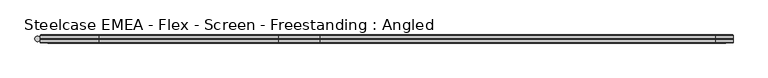
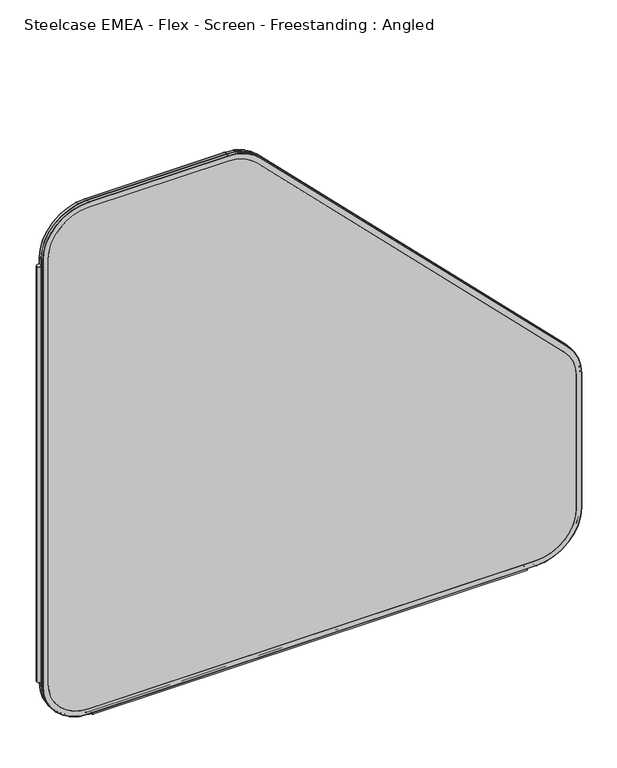
"""IFC4 building model written with IfcOpenShell, lengths in millimetres: furniture geometry, Steelcase EMEA - Flex - Screen - Freestanding : Angled."""

import ifcopenshell
import ifcopenshell.guid

model = None  # the IFC model being written
_history = None  # IfcOwnerHistory: only IFC2X3 demands one
_inside = {}  # id of a spatial element -> (the spatial element, [elements in it])
_under = {}  # id of a project, library or spatial element -> (it, [spatial elements below it])
_declared = {}  # id of a project -> (the project, [libraries it declares])
_typed = {}  # id of a type object -> (the type object, [elements of that type])
_made_of = {}  # id of a material, layer set ... -> (it, [elements and type objects made of it])


def new_model(schema):
    """Start an empty IFC model of exactly this schema.

    Asked for "IFC4X3", IfcOpenShell would pick the latest addendum, in which some entities
    have other attributes; the version numbers below select the first issue.
    IFC2X3 requires an IfcOwnerHistory on every rooted entity: one is made here for all.
    """
    global model, _history
    if schema == "IFC4X3":
        model = ifcopenshell.file(schema_version=(4, 3, 0, 0))
    else:
        model = ifcopenshell.file(schema=schema)
    _inside.clear()
    _under.clear()
    _declared.clear()
    _typed.clear()
    _made_of.clear()
    _history = None
    if model.schema == "IFC2X3":
        org = make("IfcOrganization", Name="unknown")
        user = make(
            "IfcPersonAndOrganization",
            ThePerson=make("IfcPerson", FamilyName="unknown"),
            TheOrganization=org,
        )
        app = make(
            "IfcApplication",
            ApplicationDeveloper=org,
            Version="unknown",
            ApplicationFullName="unknown",
            ApplicationIdentifier="unknown",
        )
        _history = make(
            "IfcOwnerHistory",
            OwningUser=user,
            OwningApplication=app,
            ChangeAction="ADDED",
            CreationDate=0,
        )
    return model


def make(cls, **values):
    """One entity of the class cls with the attributes given. An attribute that is None is left unset."""
    return model.create_entity(
        cls, **{name: value for name, value in values.items() if value is not None}
    )


def rooted(cls, **values):
    """An entity with a GlobalId (a new one), such as an element, a storey or a relation."""
    return make(cls, GlobalId=ifcopenshell.guid.new(), OwnerHistory=_history, **values)


def si_unit(unit_type, name, prefix=None):
    """IfcSIUnit, for example si_unit("LENGTHUNIT", "METRE", prefix="MILLI")."""
    return make("IfcSIUnit", UnitType=unit_type, Prefix=prefix, Name=name)


def assignment(units):
    """IfcUnitAssignment: the units of a project."""
    return None if units is None else make("IfcUnitAssignment", Units=units)


def point(xyz):
    """IfcCartesianPoint."""
    return None if xyz is None else make("IfcCartesianPoint", Coordinates=xyz)


def direction(xyz):
    """IfcDirection."""
    return None if xyz is None else make("IfcDirection", DirectionRatios=xyz)


def frame(location, z_axis=None, x_axis=None):
    """IfcAxis2Placement3D, a coordinate frame: its origin and axes. An axis left out is left unset."""
    return make(
        "IfcAxis2Placement3D",
        Location=point(location),
        Axis=direction(z_axis),
        RefDirection=direction(x_axis),
    )


def frame_2d(location, x_axis=None):
    """IfcAxis2Placement2D, a coordinate frame in the plane: its origin and x axis."""
    return make(
        "IfcAxis2Placement2D", Location=point(location), RefDirection=direction(x_axis)
    )


def origin():
    """The frame at (0, 0, 0) with its axes left unset."""
    return frame((0.0, 0.0, 0.0))


def place(relative_to, where):
    """IfcLocalPlacement: puts the frame where relative to a parent placement (None: the world)."""
    return make(
        "IfcLocalPlacement", PlacementRelTo=relative_to, RelativePlacement=where
    )


def context(
    kind, dimensions, precision=None, world=None, true_north=None, identifier=None
):
    """IfcGeometricRepresentationContext, for example the 3D "Model" context."""
    return make(
        "IfcGeometricRepresentationContext",
        ContextIdentifier=identifier,
        ContextType=kind,
        CoordinateSpaceDimension=dimensions,
        Precision=precision,
        WorldCoordinateSystem=world,
        TrueNorth=true_north,
    )


def project(units=None, contexts=None):
    """IfcProject with its units and contexts."""
    return rooted(
        "IfcProject",
        Name="project",
        RepresentationContexts=contexts,
        UnitsInContext=assignment(units),
    )


def spatial(cls, under=None, at=None, **own):
    """A site, building, storey or space (cls), placed at a placement, below another one or the project."""
    s = rooted(cls, ObjectPlacement=at, **own)
    if under is not None:
        _under.setdefault(under.id(), (under, []))[1].append(s)
    return s


def polyline(points):
    """IfcPolyline through the points."""
    return make("IfcPolyline", Points=[point(p) for p in points])


def circle_curve(where, radius):
    """IfcCircle in the frame where."""
    return make("IfcCircle", Position=where, Radius=radius)


def ellipse_curve(where, semi_axis1, semi_axis2):
    """IfcEllipse in the frame where."""
    return make(
        "IfcEllipse", Position=where, SemiAxis1=semi_axis1, SemiAxis2=semi_axis2
    )


def trimmed(basis, trim1, trim2, sense, master):
    """IfcTrimmedCurve: the piece of a basis curve between two trims."""
    return make(
        "IfcTrimmedCurve",
        BasisCurve=basis,
        Trim1=trim1,
        Trim2=trim2,
        SenseAgreement=sense,
        MasterRepresentation=master,
    )


def segment(curve, same_sense, transition):
    """IfcCompositeCurveSegment."""
    return make(
        "IfcCompositeCurveSegment",
        Transition=transition,
        SameSense=same_sense,
        ParentCurve=curve,
    )


def composite_curve(segments, self_intersect=None):
    """IfcCompositeCurve: segments joined end to end."""
    return make("IfcCompositeCurve", Segments=segments, SelfIntersect=self_intersect)


def outline(outer, holes=None, kind="AREA"):
    """IfcArbitraryClosedProfileDef: a profile drawn as a closed curve; with holes, ...WithVoids."""
    if holes is None:
        return make("IfcArbitraryClosedProfileDef", ProfileType=kind, OuterCurve=outer)
    return make(
        "IfcArbitraryProfileDefWithVoids",
        ProfileType=kind,
        OuterCurve=outer,
        InnerCurves=holes,
    )


def extrude(swept, where, along, depth):
    """IfcExtrudedAreaSolid: the profile swept, set in the frame where, extruded along a direction by depth."""
    return make(
        "IfcExtrudedAreaSolid",
        SweptArea=swept,
        Position=where,
        ExtrudedDirection=direction(along),
        Depth=depth,
    )


def shape(context_of_items, identifier, shape_type, items):
    """IfcShapeRepresentation: the items that make up one representation, for example the "Body"."""
    return make(
        "IfcShapeRepresentation",
        ContextOfItems=context_of_items,
        RepresentationIdentifier=identifier,
        RepresentationType=shape_type,
        Items=items,
    )


def source(mapping_origin, context_of_items, identifier, shape_type, items):
    """IfcRepresentationMap: a shape defined once, which mapped items show again and again."""
    return make(
        "IfcRepresentationMap",
        MappingOrigin=mapping_origin,
        MappedRepresentation=shape(context_of_items, identifier, shape_type, items),
    )


def transform(
    local_origin,
    x_axis=None,
    y_axis=None,
    z_axis=None,
    scale=None,
    scale2=None,
    scale3=None,
    uniform=True,
):
    """IfcCartesianTransformationOperator3D, or its non-uniform kind. x_axis, y_axis, z_axis: its Axis1, 2, 3."""
    if uniform:
        return make(
            "IfcCartesianTransformationOperator3D",
            Axis1=direction(x_axis),
            Axis2=direction(y_axis),
            LocalOrigin=point(local_origin),
            Scale=scale,
            Axis3=direction(z_axis),
        )
    return make(
        "IfcCartesianTransformationOperator3DnonUniform",
        Axis1=direction(x_axis),
        Axis2=direction(y_axis),
        LocalOrigin=point(local_origin),
        Scale=scale,
        Axis3=direction(z_axis),
        Scale2=scale2,
        Scale3=scale3,
    )


def mapped(mapping_source, mapping_target):
    """IfcMappedItem: shows the shape of a source again, moved by a transform."""
    return make(
        "IfcMappedItem", MappingSource=mapping_source, MappingTarget=mapping_target
    )


def made_of(thing, what):
    """Note that an element or type object is made of a material, layer set ...; save() writes the relation."""
    if what is not None:
        _made_of.setdefault(what.id(), (what, []))[1].append(thing)
    return thing


def element(
    cls,
    number,
    at=None,
    inside=None,
    cuts=None,
    type_object=None,
    material=None,
    context=None,
    identifier="Body",
    shape_type=None,
    held_by="IfcProductDefinitionShape",
    body=None,
    shapes=None,
    **own,
):
    """One element of the class cls, such as IfcWall. Its Tag is "e" and its number.

    at: its placement. inside: the storey or other place that contains it. cuts: it is an
    opening in that element (IfcRelVoidsElement). A single representation is given by context,
    identifier, shape_type and body (its items); several are given by shapes. held_by: the class
    of the entity that holds the representations. save() writes the other relations.
    """
    e = rooted(cls, Tag="e%d" % number, ObjectPlacement=at, **own)
    if body is not None:
        shapes = [shape(context, identifier, shape_type, body)]
    if shapes is not None:
        e.Representation = make(held_by, Representations=shapes)
    if inside is not None:
        _inside.setdefault(inside.id(), (inside, []))[1].append(e)
    if cuts is not None:
        rooted(
            "IfcRelVoidsElement", RelatingBuildingElement=cuts, RelatedOpeningElement=e
        )
    if type_object is not None:
        _typed.setdefault(type_object.id(), (type_object, []))[1].append(e)
    return made_of(e, material)


def aggregate(whole, parts):
    """IfcRelAggregates: a whole, such as a stair, and the parts it consists of."""
    return rooted("IfcRelAggregates", RelatingObject=whole, RelatedObjects=parts)


def save(model, path):
    """Write the relations noted so far, then the file.

    IfcRelAggregates (storeys below a building ...), IfcRelContainedInSpatialStructure (elements
    in a storey), IfcRelDefinesByType, IfcRelAssociatesMaterial and IfcRelDeclares: one each for
    every whole, place, type object, material and project.
    """
    for whole, parts in _under.values():
        aggregate(whole, parts)
    for where, things in _inside.values():
        rooted(
            "IfcRelContainedInSpatialStructure",
            RelatedElements=things,
            RelatingStructure=where,
        )
    for kind, things in _typed.values():
        rooted("IfcRelDefinesByType", RelatedObjects=things, RelatingType=kind)
    for what, things in _made_of.values():
        rooted("IfcRelAssociatesMaterial", RelatedObjects=things, RelatingMaterial=what)
    for by, libraries in _declared.values():
        rooted("IfcRelDeclares", RelatingContext=by, RelatedDefinitions=libraries)
    model.write(path)


def plane_surface(at):
    """IfcPlane: the flat surface through the origin of the frame at, square to its z axis."""
    return make("IfcPlane", Position=at)


def cylinder_surface(at, radius):
    """IfcCylindricalSurface: all points at the distance radius from the z axis of the frame at."""
    return make("IfcCylindricalSurface", Position=at, Radius=radius)


def revolved_surface(curve, axis_point, axis_direction):
    """IfcSurfaceOfRevolution: the curve turned about the line through axis_point along axis_direction."""
    return make(
        "IfcSurfaceOfRevolution",
        SweptCurve=make("IfcArbitraryOpenProfileDef", ProfileType="CURVE", Curve=curve),
        AxisPosition=make("IfcAxis1Placement", Location=point(axis_point), Axis=direction(axis_direction)),
    )


def advanced_brep(points, edges, surfaces, faces):
    """IfcAdvancedBrep: a solid bounded by faces that lie on surfaces and meet in shared edges.

    An edge is (start, end): straight between two places in points (the first is 0);
    or (start, end, curve); or (start, end, curve, False) where it runs against its curve.
    A face is (place in surfaces, loops), or (place, loops, False) where it looks against
    its surface's normal. A loop lists edges by number (the first is 1), with a minus sign
    where the edge is run from its end to its start. The first loop is the outer one.
    """
    corners = [point(p) for p in points]
    vertices = [make("IfcVertexPoint", VertexGeometry=c) for c in corners]
    made = []
    for start, end, *more in edges:
        made.append(
            make(
                "IfcEdgeCurve",
                EdgeStart=vertices[start],
                EdgeEnd=vertices[end],
                EdgeGeometry=more[0] if more else make("IfcPolyline", Points=[corners[start], corners[end]]),
                SameSense=more[1] if len(more) > 1 else True,
            )
        )
    hull = []
    for where, loops, *sense in faces:
        bounds = []
        for j, loop in enumerate(loops):
            ring = [make("IfcOrientedEdge", EdgeElement=made[abs(k) - 1], Orientation=k > 0) for k in loop]
            bounds.append(
                make(
                    "IfcFaceOuterBound" if j == 0 else "IfcFaceBound",
                    Bound=make("IfcEdgeLoop", EdgeList=ring),
                    Orientation=True,
                )
            )
        hull.append(make("IfcAdvancedFace", Bounds=bounds, FaceSurface=surfaces[where], SameSense=sense[0] if sense else True))
    return make("IfcAdvancedBrep", Outer=make("IfcClosedShell", CfsFaces=hull))


def steelcase_emea_flex_screen_freestanding_angled_48e5a0ee(model_context):
    return source(origin(), model_context, "Body", "SolidModel", [
        extrude(outline(composite_curve([segment(trimmed(circle_curve(frame_2d((4.5307839, 0.0)), 4.572), [point((-0.0412161, 0.0))], [point((9.1027839, 0.0))], False, "CARTESIAN"), True, "CONTINUOUS"), segment(trimmed(circle_curve(frame_2d((4.5307839, 0.0)), 4.572), [point((9.1027839, 0.0))], [point((-0.0412161, 0.0))], False, "CARTESIAN"), True, "CONTINUOUS")], self_intersect=False)), frame((0.0, 0.0, 115.57), z_axis=(0.0, 0.0, 1.0), x_axis=(1.0, 0.0, 0.0)), (0.0, 0.0, 1.0), 968.86),
        advanced_brep(
        [(110.7653521, 5.9845715, 4.9996464), (9.1653521, 5.9845715, 106.5996464), (10.0387806, 6.858, 106.5996464), (110.7653521, 6.858, 5.8730749), (110.7653521, 0.762, 4.9996464), (9.1653521, 0.762, 106.5996464), (110.7653521, 0.0, 5.7616464), (9.9273521, 0.0, 106.5996464), (110.7653521, 6.858, 17.6996464), (21.8653521, 6.858, 106.5996464), (21.8653521, 0.0, 106.5996464), (110.7653521, 0.0, 17.6996464), (1098.4, 6.858, 5.8730749), (1098.4, 5.9845715, 4.9996464), (1098.4, 0.762, 4.9996464), (1098.4, 0.0, 5.7616464), (1098.4, 0.0, 17.6996464), (1098.4, 6.858, 17.6996464), (1200.0, 5.9845715, 106.5996464), (1199.1265715, 6.858, 106.5996464), (1200.0, 0.762, 106.5996464), (1199.238, 0.0, 106.5996464), (1187.3, 6.858, 106.5996464), (1187.3, 0.0, 106.5996464), (1199.1265715, 6.858, 418.9152099), (1200.0, 5.9845715, 418.9152099), (1200.0, 0.762, 418.9152099), (1199.238, 0.0, 418.9152099), (1187.3, 0.0, 418.9152099), (1187.3, 6.858, 418.9152099), (1170.242049, 5.9845715, 490.7572588), (1169.6244418, 6.858, 490.1396516), (1170.242049, 0.762, 490.7572588), (1169.7032336, 0.0, 490.2184435), (1161.2617928, 6.858, 481.7770027), (1161.2617928, 0.0, 481.7770027), (490.1396516, 6.858, 1169.6244418), (490.7572588, 5.9845715, 1170.242049), (490.7572588, 0.762, 1170.242049), (490.2184435, 0.0, 1169.7032336), (481.7770027, 0.0, 1161.2617928), (481.7770027, 6.858, 1161.2617928), (418.9152099, 5.9845715, 1200.0), (418.9152099, 6.858, 1199.1265715), (418.9152099, 0.762, 1200.0), (418.9152099, 0.0, 1199.238), (418.9152099, 6.858, 1187.3), (418.9152099, 0.0, 1187.3), (110.7653521, 6.858, 1199.1265715), (110.7653521, 5.9845715, 1200.0), (110.7653521, 0.762, 1200.0), (110.7653521, 0.0, 1199.238), (110.7653521, 0.0, 1187.3), (110.7653521, 6.858, 1187.3), (9.1653521, 5.9845715, 1098.4), (10.0387806, 6.858, 1098.4), (9.1653521, 0.762, 1098.4), (9.9273521, 0.0, 1098.4), (21.8653521, 6.858, 1098.4), (21.8653521, 0.0, 1098.4)],
        [
            (0, 1, circle_curve(frame((110.7653521, 5.9845715, 106.5996464), z_axis=(0.0, 1.0, 0.0), x_axis=(-1.0, 0.0, 0.0)), 101.6)),
            (1, 2, circle_curve(frame((10.0387806, 5.9845715, 106.5996464), z_axis=(0.0, 0.0, -1.0), x_axis=(0.0, -1.0, 0.0)), 0.8734285)),
            (2, 3, circle_curve(frame((110.7653521, 6.858, 106.5996464), z_axis=(0.0, -1.0, 0.0), x_axis=(-1.0, 0.0, 0.0)), 100.7265715)),
            (3, 0, circle_curve(frame((110.7653521, 5.9845715, 5.8730749), z_axis=(-1.0, 0.0, 0.0), x_axis=(0.0, -1.0, 0.0)), 0.8734285)),
            (4, 5, circle_curve(frame((110.7653521, 0.762, 106.5996464), z_axis=(0.0, 1.0, 0.0), x_axis=(-1.0, 0.0, 0.0)), 101.6)),
            (5, 1),
            (0, 4),
            (6, 7, circle_curve(frame((110.7653521, 0.0, 106.5996464), z_axis=(0.0, 1.0, 0.0), x_axis=(-1.0, 0.0, 0.0)), 100.838)),
            (7, 5, circle_curve(frame((9.9273521, 0.762, 106.5996464), z_axis=(0.0, 0.0, -1.0), x_axis=(0.0, -1.0, 0.0)), 0.762)),
            (4, 6, circle_curve(frame((110.7653521, 0.762, 5.7616464), z_axis=(-1.0, 0.0, 0.0), x_axis=(0.0, -1.0, 0.0)), 0.762)),
            (8, 9, circle_curve(frame((110.7653521, 6.858, 106.5996464), z_axis=(0.0, 1.0, 0.0), x_axis=(-1.0, 0.0, 0.0)), 88.9)),
            (9, 10),
            (10, 11, circle_curve(frame((110.7653521, 0.0, 106.5996464), z_axis=(0.0, -1.0, 0.0), x_axis=(-1.0, 0.0, 0.0)), 88.9)),
            (11, 8),
            (3, 12),
            (12, 13, circle_curve(frame((1098.4, 5.9845715, 5.8730749), z_axis=(-1.0, 0.0, 0.0), x_axis=(0.0, -1.0, 0.0)), 0.8734285)),
            (13, 0),
            (13, 14),
            (14, 4),
            (14, 15, circle_curve(frame((1098.4, 0.762, 5.7616464), z_axis=(-1.0, 0.0, 0.0), x_axis=(0.0, -1.0, 0.0)), 0.762)),
            (15, 6),
            (11, 16),
            (16, 17),
            (17, 8),
            (18, 13, circle_curve(frame((1098.4, 5.9845715, 106.5996464), z_axis=(0.0, 1.0, 0.0), x_axis=(0.0, 0.0, -1.0)), 101.6)),
            (12, 19, circle_curve(frame((1098.4, 6.858, 106.5996464), z_axis=(0.0, -1.0, 0.0), x_axis=(0.0, 0.0, -1.0)), 100.7265715)),
            (19, 18, circle_curve(frame((1199.1265715, 5.9845715, 106.5996464), z_axis=(0.0, 0.0, -1.0), x_axis=(0.0, -1.0, 0.0)), 0.8734285)),
            (20, 14, circle_curve(frame((1098.4, 0.762, 106.5996464), z_axis=(0.0, 1.0, 0.0), x_axis=(0.0, 0.0, -1.0)), 101.6)),
            (18, 20),
            (21, 15, circle_curve(frame((1098.4, 0.0, 106.5996464), z_axis=(0.0, 1.0, 0.0), x_axis=(0.0, 0.0, -1.0)), 100.838)),
            (20, 21, circle_curve(frame((1199.238, 0.762, 106.5996464), z_axis=(0.0, 0.0, -1.0), x_axis=(0.0, -1.0, 0.0)), 0.762)),
            (22, 17, circle_curve(frame((1098.4, 6.858, 106.5996464), z_axis=(0.0, 1.0, 0.0), x_axis=(0.0, 0.0, -1.0)), 88.9)),
            (16, 23, circle_curve(frame((1098.4, 0.0, 106.5996464), z_axis=(0.0, -1.0, 0.0), x_axis=(0.0, 0.0, -1.0)), 88.9)),
            (23, 22),
            (19, 24),
            (24, 25, circle_curve(frame((1199.1265715, 5.9845715, 418.9152099), z_axis=(0.0, 0.0, -1.0), x_axis=(0.0, -1.0, 0.0)), 0.8734285)),
            (25, 18),
            (25, 26),
            (26, 20),
            (26, 27, circle_curve(frame((1199.238, 0.762, 418.9152099), z_axis=(0.0, 0.0, -1.0), x_axis=(0.0, -1.0, 0.0)), 0.762)),
            (27, 21),
            (23, 28),
            (28, 29),
            (29, 22),
            (30, 25, circle_curve(frame((1098.4, 5.9845715, 418.9152099), z_axis=(0.0, 1.0, 0.0), x_axis=(1.0, 0.0, 0.0)), 101.6)),
            (24, 31, circle_curve(frame((1098.4, 6.858, 418.9152099), z_axis=(0.0, -1.0, 0.0), x_axis=(1.0, 0.0, 0.0)), 100.7265715)),
            (31, 30, circle_curve(frame((1169.6244418, 5.9845715, 490.1396516), z_axis=(0.7071067811865711, 0.0, -0.7071067811865239), x_axis=(0.0, -1.0, 0.0)), 0.8734285)),
            (32, 26, circle_curve(frame((1098.4, 0.762, 418.9152099), z_axis=(0.0, 1.0, 0.0), x_axis=(1.0, 0.0, 0.0)), 101.6)),
            (30, 32),
            (33, 27, circle_curve(frame((1098.4, 0.0, 418.9152099), z_axis=(0.0, 1.0, 0.0), x_axis=(1.0, 0.0, 0.0)), 100.838)),
            (32, 33, circle_curve(frame((1169.7032336, 0.762, 490.2184435), z_axis=(0.7071067811865702, 0.0, -0.7071067811865248), x_axis=(0.0, -1.0, 0.0)), 0.762)),
            (34, 29, circle_curve(frame((1098.4, 6.858, 418.9152099), z_axis=(0.0, 1.0, 0.0), x_axis=(1.0, 0.0, 0.0)), 88.9)),
            (28, 35, circle_curve(frame((1098.4, 0.0, 418.9152099), z_axis=(0.0, -1.0, 0.0), x_axis=(1.0, 0.0, 0.0)), 88.9)),
            (35, 34),
            (31, 36),
            (36, 37, circle_curve(frame((490.1396516, 5.9845715, 1169.6244418), z_axis=(0.7071067811865462, 0.0, -0.707106781186549), x_axis=(0.0, -1.0, 0.0)), 0.8734285)),
            (37, 30),
            (37, 38),
            (38, 32),
            (38, 39, circle_curve(frame((490.2184435, 0.762, 1169.7032336), z_axis=(0.7071067811865462, 0.0, -0.707106781186549), x_axis=(0.0, -1.0, 0.0)), 0.762)),
            (39, 33),
            (35, 40),
            (40, 41),
            (41, 34),
            (42, 37, circle_curve(frame((418.9152099, 5.9845715, 1098.4), z_axis=(0.0, 1.0, 0.0), x_axis=(0.7071067811865533, 0.0, 0.7071067811865417)), 101.6)),
            (36, 43, circle_curve(frame((418.9152099, 6.858, 1098.4), z_axis=(0.0, -1.0, 0.0), x_axis=(0.7071067811865533, 0.0, 0.7071067811865417)), 100.7265715)),
            (43, 42, circle_curve(frame((418.9152099, 5.9845715, 1199.1265715), z_axis=(1.0, 0.0, 0.0), x_axis=(0.0, -1.0, 0.0)), 0.8734285)),
            (44, 38, circle_curve(frame((418.9152099, 0.762, 1098.4), z_axis=(0.0, 1.0, 0.0), x_axis=(0.7071067811865533, 0.0, 0.7071067811865417)), 101.6)),
            (42, 44),
            (45, 39, circle_curve(frame((418.9152099, 0.0, 1098.4), z_axis=(0.0, 1.0, 0.0), x_axis=(0.7071067811865533, 0.0, 0.7071067811865417)), 100.838)),
            (44, 45, circle_curve(frame((418.9152099, 0.762, 1199.238), z_axis=(1.0, 0.0, 0.0), x_axis=(0.0, -1.0, 0.0)), 0.762)),
            (46, 41, circle_curve(frame((418.9152099, 6.858, 1098.4), z_axis=(0.0, 1.0, 0.0), x_axis=(0.7071067811865533, 0.0, 0.7071067811865417)), 88.9)),
            (40, 47, circle_curve(frame((418.9152099, 0.0, 1098.4), z_axis=(0.0, -1.0, 0.0), x_axis=(0.7071067811865533, 0.0, 0.7071067811865417)), 88.9)),
            (47, 46),
            (43, 48),
            (48, 49, circle_curve(frame((110.7653521, 5.9845715, 1199.1265715), z_axis=(1.0, 0.0, 0.0), x_axis=(0.0, -1.0, 0.0)), 0.8734285)),
            (49, 42),
            (49, 50),
            (50, 44),
            (50, 51, circle_curve(frame((110.7653521, 0.762, 1199.238), z_axis=(1.0, 0.0, 0.0), x_axis=(0.0, -1.0, 0.0)), 0.762)),
            (51, 45),
            (47, 52),
            (52, 53),
            (53, 46),
            (54, 49, circle_curve(frame((110.7653521, 5.9845715, 1098.4), z_axis=(0.0, 1.0, 0.0), x_axis=(0.0, 0.0, 1.0)), 101.6)),
            (48, 55, circle_curve(frame((110.7653521, 6.858, 1098.4), z_axis=(0.0, -1.0, 0.0), x_axis=(0.0, 0.0, 1.0)), 100.7265715)),
            (55, 54, circle_curve(frame((10.0387806, 5.9845715, 1098.4), z_axis=(0.0, 0.0, 1.0), x_axis=(0.0, -1.0, 0.0)), 0.8734285)),
            (56, 50, circle_curve(frame((110.7653521, 0.762, 1098.4), z_axis=(0.0, 1.0, 0.0), x_axis=(0.0, 0.0, 1.0)), 101.6)),
            (54, 56),
            (57, 51, circle_curve(frame((110.7653521, 0.0, 1098.4), z_axis=(0.0, 1.0, 0.0), x_axis=(0.0, 0.0, 1.0)), 100.838)),
            (56, 57, circle_curve(frame((9.9273521, 0.762, 1098.4), z_axis=(0.0, 0.0, 1.0), x_axis=(0.0, -1.0, 0.0)), 0.762)),
            (58, 53, circle_curve(frame((110.7653521, 6.858, 1098.4), z_axis=(0.0, 1.0, 0.0), x_axis=(0.0, 0.0, 1.0)), 88.9)),
            (52, 59, circle_curve(frame((110.7653521, 0.0, 1098.4), z_axis=(0.0, -1.0, 0.0), x_axis=(0.0, 0.0, 1.0)), 88.9)),
            (59, 58),
            (2, 55),
            (58, 9),
            (1, 54),
            (5, 56),
            (7, 57),
            (10, 59),
        ],
        [
            revolved_surface(trimmed(ellipse_curve(frame((10.0387806, 5.9845715, 106.5996464), z_axis=(0.0, 0.0, 1.0), x_axis=(0.0, -1.0, 0.0)), 0.8734285, 0.8734285), [point((10.0387806, 6.858, 106.5996464))], [point((9.1653521, 5.9845715, 106.5996464))], True, "CARTESIAN"), (110.7653521, 0.0, 106.5996464), (0.0, -1.0, 0.0)),
            cylinder_surface(frame((110.7653521, 0.0, 106.5996464), z_axis=(0.0, -1.0, 0.0), x_axis=(-1.0, 0.0, 0.0)), 101.6),
            revolved_surface(trimmed(ellipse_curve(frame((9.9273521, 0.762, 106.5996464), z_axis=(0.0, 0.0, 1.0), x_axis=(0.0, -1.0, 0.0)), 0.762, 0.762), [point((9.1653521, 0.762, 106.5996464))], [point((9.9273521, 0.0, 106.5996464))], True, "CARTESIAN"), (110.7653521, 0.0, 106.5996464), (0.0, -1.0, 0.0)),
            revolved_surface(polyline([(21.865352099999996, 0.0, 106.5996464), (21.865352099999996, 6.858, 106.5996464)]), (110.7653521, 0.0, 106.5996464), (0.0, -1.0, 0.0)),
            cylinder_surface(frame((110.7653521, 5.9845715, 5.8730749), z_axis=(-1.0, 0.0, 0.0), x_axis=(0.0, -1.0, 0.0)), 0.8734285),
            plane_surface(frame((110.7653521, 5.9845715, 4.9996464), z_axis=(0.0, 0.0, -1.0), x_axis=(1.0, 0.0, 0.0))),
            cylinder_surface(frame((110.7653521, 0.762, 5.7616464), z_axis=(-1.0, 0.0, 0.0), x_axis=(0.0, -1.0, 0.0)), 0.762),
            plane_surface(frame((110.7653521, 0.0, 17.6996464), z_axis=(0.0, 0.0, 1.0), x_axis=(1.0, 0.0, 0.0))),
            revolved_surface(trimmed(ellipse_curve(frame((1098.4, 5.9845715, 5.8730749), z_axis=(-1.0, 0.0, 0.0), x_axis=(0.0, -1.0, 0.0)), 0.8734285, 0.8734285), [point((1098.4, 6.858, 5.8730749))], [point((1098.4, 5.9845715, 4.9996464))], True, "CARTESIAN"), (1098.4, 0.0, 106.5996464), (0.0, -1.0, 0.0)),
            cylinder_surface(frame((1098.4, 0.0, 106.5996464), z_axis=(0.0, -1.0, 0.0), x_axis=(0.0, 0.0, -1.0)), 101.6),
            revolved_surface(trimmed(ellipse_curve(frame((1098.4, 0.762, 5.7616464), z_axis=(-1.0, 0.0, 0.0), x_axis=(0.0, -1.0, 0.0)), 0.762, 0.762), [point((1098.4, 0.762, 4.9996464))], [point((1098.4, 0.0, 5.7616464))], True, "CARTESIAN"), (1098.4, 0.0, 106.5996464), (0.0, -1.0, 0.0)),
            revolved_surface(polyline([(1098.4, 0.0, 17.699646399999992), (1098.4, 6.858, 17.699646399999992)]), (1098.4, 0.0, 106.5996464), (0.0, -1.0, 0.0)),
            cylinder_surface(frame((1199.1265715, 5.9845715, 106.5996464), z_axis=(0.0, 0.0, -1.0), x_axis=(0.0, -1.0, 0.0)), 0.8734285),
            plane_surface(frame((1200.0, 5.9845715, 106.5996464), z_axis=(1.0, 0.0, 0.0), x_axis=(0.0, 0.0, 1.0))),
            cylinder_surface(frame((1199.238, 0.762, 106.5996464), z_axis=(0.0, 0.0, -1.0), x_axis=(0.0, -1.0, 0.0)), 0.762),
            plane_surface(frame((1187.3, 0.0, 106.5996464), z_axis=(-1.0, 0.0, 0.0), x_axis=(0.0, 0.0, 1.0))),
            revolved_surface(trimmed(ellipse_curve(frame((1199.1265715, 5.9845715, 418.9152099), z_axis=(0.0, 0.0, -1.0), x_axis=(0.0, -1.0, 0.0)), 0.8734285, 0.8734285), [point((1199.1265715, 6.858, 418.9152099))], [point((1200.0, 5.9845715, 418.9152099))], True, "CARTESIAN"), (1098.4, 0.0, 418.9152099), (0.0, -1.0, 0.0)),
            cylinder_surface(frame((1098.4, 0.0, 418.9152099), z_axis=(0.0, -1.0, 0.0), x_axis=(1.0, 0.0, 0.0)), 101.6),
            revolved_surface(trimmed(ellipse_curve(frame((1199.238, 0.762, 418.9152099), z_axis=(0.0, 0.0, -1.0), x_axis=(0.0, -1.0, 0.0)), 0.762, 0.762), [point((1200.0, 0.762, 418.9152099))], [point((1199.238, 0.0, 418.9152099))], True, "CARTESIAN"), (1098.4, 0.0, 418.9152099), (0.0, -1.0, 0.0)),
            revolved_surface(polyline([(1187.3000000000002, 0.0, 418.9152099), (1187.3000000000002, 6.858, 418.9152099)]), (1098.4, 0.0, 418.9152099), (0.0, -1.0, 0.0)),
            cylinder_surface(frame((1169.6244418, 5.9845715, 490.1396516), z_axis=(0.7071067811865462, 0.0, -0.707106781186549), x_axis=(0.0, -1.0, 0.0)), 0.8734285),
            plane_surface(frame((1170.242049, 5.9845715, 490.7572588), z_axis=(0.707106781186549, 0.0, 0.7071067811865461), x_axis=(-0.7071067811865461, 0.0, 0.707106781186549))),
            cylinder_surface(frame((1169.7032336, 0.762, 490.2184435), z_axis=(0.7071067811865462, 0.0, -0.707106781186549), x_axis=(0.0, -1.0, 0.0)), 0.762),
            plane_surface(frame((1161.2617928, 0.0, 481.7770027), z_axis=(-0.707106781186549, 0.0, -0.707106781186546), x_axis=(-0.707106781186546, 0.0, 0.707106781186549))),
            revolved_surface(trimmed(ellipse_curve(frame((490.1396516, 5.9845715, 1169.6244418), z_axis=(0.7071067811865419, 0.0, -0.7071067811865531), x_axis=(0.0, -1.0, 0.0)), 0.8734285, 0.8734285), [point((490.1396516, 6.858, 1169.6244418))], [point((490.7572588, 5.9845715, 1170.242049))], True, "CARTESIAN"), (418.9152099, 0.0, 1098.4), (0.0, -1.0, 0.0)),
            cylinder_surface(frame((418.9152099, 0.0, 1098.4), z_axis=(0.0, -1.0, 0.0), x_axis=(0.7071067811865533, 0.0, 0.7071067811865417)), 101.6),
            revolved_surface(trimmed(ellipse_curve(frame((490.2184435, 0.762, 1169.7032336), z_axis=(0.7071067811865419, 0.0, -0.7071067811865531), x_axis=(0.0, -1.0, 0.0)), 0.762, 0.762), [point((490.7572588, 0.762, 1170.242049))], [point((490.2184435, 0.0, 1169.7032336))], True, "CARTESIAN"), (418.9152099, 0.0, 1098.4), (0.0, -1.0, 0.0)),
            revolved_surface(polyline([(481.7770027474846, 0.0, 1161.2617928474835), (481.7770027474846, 6.858, 1161.2617928474835)]), (418.9152099, 0.0, 1098.4), (0.0, -1.0, 0.0)),
            cylinder_surface(frame((418.9152099, 5.9845715, 1199.1265715), z_axis=(1.0, 0.0, 0.0), x_axis=(0.0, -1.0, 0.0)), 0.8734285),
            plane_surface(frame((418.9152099, 5.9845715, 1200.0), z_axis=(0.0, 0.0, 1.0), x_axis=(-1.0, 0.0, 0.0))),
            cylinder_surface(frame((418.9152099, 0.762, 1199.238), z_axis=(1.0, 0.0, 0.0), x_axis=(0.0, -1.0, 0.0)), 0.762),
            plane_surface(frame((418.9152099, 0.0, 1187.3), z_axis=(0.0, 0.0, -1.0), x_axis=(-1.0, 0.0, 0.0))),
            revolved_surface(trimmed(ellipse_curve(frame((110.7653521, 5.9845715, 1199.1265715), z_axis=(1.0, 0.0, 0.0), x_axis=(0.0, -1.0, 0.0)), 0.8734285, 0.8734285), [point((110.7653521, 6.858, 1199.1265715))], [point((110.7653521, 5.9845715, 1200.0))], True, "CARTESIAN"), (110.7653521, 0.0, 1098.4), (0.0, -1.0, 0.0)),
            cylinder_surface(frame((110.7653521, 0.0, 1098.4), z_axis=(0.0, -1.0, 0.0), x_axis=(0.0, 0.0, 1.0)), 101.6),
            revolved_surface(trimmed(ellipse_curve(frame((110.7653521, 0.762, 1199.238), z_axis=(1.0, 0.0, 0.0), x_axis=(0.0, -1.0, 0.0)), 0.762, 0.762), [point((110.7653521, 0.762, 1200.0))], [point((110.7653521, 0.0, 1199.238))], True, "CARTESIAN"), (110.7653521, 0.0, 1098.4), (0.0, -1.0, 0.0)),
            revolved_surface(polyline([(110.7653521, 0.0, 1187.3000000000002), (110.7653521, 6.858, 1187.3000000000002)]), (110.7653521, 0.0, 1098.4), (0.0, -1.0, 0.0)),
            plane_surface(frame((21.8653521, 6.858, 1098.4), z_axis=(0.0, 1.0, 0.0), x_axis=(0.0, 0.0, -1.0))),
            cylinder_surface(frame((10.0387806, 5.9845715, 1098.4), z_axis=(0.0, 0.0, 1.0), x_axis=(0.0, -1.0, 0.0)), 0.8734285),
            plane_surface(frame((9.1653521, 5.9845715, 1098.4), z_axis=(-1.0, 0.0, 0.0), x_axis=(0.0, 0.0, -1.0))),
            cylinder_surface(frame((9.9273521, 0.762, 1098.4), z_axis=(0.0, 0.0, 1.0), x_axis=(0.0, -1.0, 0.0)), 0.762),
            plane_surface(frame((9.9273521, 0.0, 1098.4), z_axis=(0.0, -1.0, 0.0), x_axis=(0.0, 0.0, -1.0))),
            plane_surface(frame((21.8653521, 0.0, 1098.4), z_axis=(1.0, 0.0, 0.0), x_axis=(0.0, 0.0, -1.0))),
        ],
        [
            (0, [[1, 2, 3, 4]]),
            (1, [[5, 6, -1, 7]]),
            (2, [[8, 9, -5, 10]]),
            (3, [[11, 12, 13, 14]]),
            (4, [[-4, 15, 16, 17]]),
            (5, [[-7, -17, 18, 19]]),
            (6, [[-10, -19, 20, 21]]),
            (7, [[-14, 22, 23, 24]]),
            (8, [[25, -16, 26, 27]]),
            (9, [[28, -18, -25, 29]]),
            (10, [[30, -20, -28, 31]]),
            (11, [[32, -23, 33, 34]]),
            (12, [[-27, 35, 36, 37]]),
            (13, [[-29, -37, 38, 39]]),
            (14, [[-31, -39, 40, 41]]),
            (15, [[-34, 42, 43, 44]]),
            (16, [[45, -36, 46, 47]]),
            (17, [[48, -38, -45, 49]]),
            (18, [[50, -40, -48, 51]]),
            (19, [[52, -43, 53, 54]]),
            (20, [[-47, 55, 56, 57]]),
            (21, [[-49, -57, 58, 59]]),
            (22, [[-51, -59, 60, 61]]),
            (23, [[-54, 62, 63, 64]]),
            (24, [[65, -56, 66, 67]]),
            (25, [[68, -58, -65, 69]]),
            (26, [[70, -60, -68, 71]]),
            (27, [[72, -63, 73, 74]]),
            (28, [[-67, 75, 76, 77]]),
            (29, [[-69, -77, 78, 79]]),
            (30, [[-71, -79, 80, 81]]),
            (31, [[-74, 82, 83, 84]]),
            (32, [[85, -76, 86, 87]]),
            (33, [[88, -78, -85, 89]]),
            (34, [[90, -80, -88, 91]]),
            (35, [[92, -83, 93, 94]]),
            (36, [[95, -86, -75, -66, -55, -46, -35, -26, -15, -3], [-84, -92, 96, -11, -24, -32, -44, -52, -64, -72]]),
            (37, [[-87, -95, -2, 97]]),
            (38, [[-89, -97, -6, 98]]),
            (39, [[-91, -98, -9, 99]]),
            (40, [[-81, -90, -99, -8, -21, -30, -41, -50, -61, -70], [100, -93, -82, -73, -62, -53, -42, -33, -22, -13]]),
            (41, [[-94, -100, -12, -96]]),
        ],
    ),
        advanced_brep(
        [(110.7653521, -0.762, 4.9996464), (9.1653521, -0.762, 106.5996464), (9.9273521, 0.0, 106.5996464), (110.7653521, 0.0, 5.7616464), (110.7653521, -6.096, 4.9996464), (9.1653521, -6.096, 106.5996464), (110.7653521, -6.858, 5.7616464), (9.9273521, -6.858, 106.5996464), (110.7653521, 0.0, 17.6996464), (21.8653521, 0.0, 106.5996464), (21.8653521, -6.858, 106.5996464), (110.7653521, -6.858, 17.6996464), (1098.4, 0.0, 5.7616464), (1098.4, -0.762, 4.9996464), (1098.4, -6.096, 4.9996464), (1098.4, -6.858, 5.7616464), (1098.4, -6.858, 17.6996464), (1098.4, 0.0, 17.6996464), (1200.0, -0.762, 106.5996464), (1199.238, 0.0, 106.5996464), (1200.0, -6.096, 106.5996464), (1199.238, -6.858, 106.5996464), (1187.3, 0.0, 106.5996464), (1187.3, -6.858, 106.5996464), (1199.238, 0.0, 418.9152099), (1200.0, -0.762, 418.9152099), (1200.0, -6.096, 418.9152099), (1199.238, -6.858, 418.9152099), (1187.3, -6.858, 418.9152099), (1187.3, 0.0, 418.9152099), (1170.242049, -0.762, 490.7572588), (1169.7032336, 0.0, 490.2184435), (1170.242049, -6.096, 490.7572588), (1169.7032336, -6.858, 490.2184435), (1161.2617928, 0.0, 481.7770027), (1161.2617928, -6.858, 481.7770027), (490.2184435, 0.0, 1169.7032336), (490.7572588, -0.762, 1170.242049), (490.7572588, -6.096, 1170.242049), (490.2184435, -6.858, 1169.7032336), (481.7770027, -6.858, 1161.2617928), (481.7770027, 0.0, 1161.2617928), (418.9152099, -0.762, 1200.0), (418.9152099, 0.0, 1199.238), (418.9152099, -6.096, 1200.0), (418.9152099, -6.858, 1199.238), (418.9152099, 0.0, 1187.3), (418.9152099, -6.858, 1187.3), (110.7653521, 0.0, 1199.238), (110.7653521, -0.762, 1200.0), (110.7653521, -6.096, 1200.0), (110.7653521, -6.858, 1199.238), (110.7653521, -6.858, 1187.3), (110.7653521, 0.0, 1187.3), (9.1653521, -0.762, 1098.4), (9.9273521, 0.0, 1098.4), (9.1653521, -6.096, 1098.4), (9.9273521, -6.858, 1098.4), (21.8653521, 0.0, 1098.4), (21.8653521, -6.858, 1098.4)],
        [
            (0, 1, circle_curve(frame((110.7653521, -0.762, 106.5996464), z_axis=(0.0, 1.0, 0.0), x_axis=(-1.0, 0.0, 0.0)), 101.6)),
            (1, 2, circle_curve(frame((9.9273521, -0.762, 106.5996464), z_axis=(0.0, 0.0, -1.0), x_axis=(0.0, -1.0, 0.0)), 0.762)),
            (2, 3, circle_curve(frame((110.7653521, 0.0, 106.5996464), z_axis=(0.0, -1.0, 0.0), x_axis=(-1.0, 0.0, 0.0)), 100.838)),
            (3, 0, circle_curve(frame((110.7653521, -0.762, 5.7616464), z_axis=(-1.0, 0.0, 0.0), x_axis=(0.0, -1.0, 0.0)), 0.762)),
            (4, 5, circle_curve(frame((110.7653521, -6.096, 106.5996464), z_axis=(0.0, 1.0, 0.0), x_axis=(-1.0, 0.0, 0.0)), 101.6)),
            (5, 1),
            (0, 4),
            (6, 7, circle_curve(frame((110.7653521, -6.858, 106.5996464), z_axis=(0.0, 1.0, 0.0), x_axis=(-1.0, 0.0, 0.0)), 100.838)),
            (7, 5, circle_curve(frame((9.9273521, -6.096, 106.5996464), z_axis=(0.0, 0.0, -1.0), x_axis=(0.0, -1.0, 0.0)), 0.762)),
            (4, 6, circle_curve(frame((110.7653521, -6.096, 5.7616464), z_axis=(-1.0, 0.0, 0.0), x_axis=(0.0, -1.0, 0.0)), 0.762)),
            (8, 9, circle_curve(frame((110.7653521, 0.0, 106.5996464), z_axis=(0.0, 1.0, 0.0), x_axis=(-1.0, 0.0, 0.0)), 88.9)),
            (9, 10),
            (10, 11, circle_curve(frame((110.7653521, -6.858, 106.5996464), z_axis=(0.0, -1.0, 0.0), x_axis=(-1.0, 0.0, 0.0)), 88.9)),
            (11, 8),
            (3, 12),
            (12, 13, circle_curve(frame((1098.4, -0.762, 5.7616464), z_axis=(-1.0, 0.0, 0.0), x_axis=(0.0, -1.0, 0.0)), 0.762)),
            (13, 0),
            (13, 14),
            (14, 4),
            (14, 15, circle_curve(frame((1098.4, -6.096, 5.7616464), z_axis=(-1.0, 0.0, 0.0), x_axis=(0.0, -1.0, 0.0)), 0.762)),
            (15, 6),
            (11, 16),
            (16, 17),
            (17, 8),
            (18, 13, circle_curve(frame((1098.4, -0.762, 106.5996464), z_axis=(0.0, 1.0, 0.0), x_axis=(0.0, 0.0, -1.0)), 101.6)),
            (12, 19, circle_curve(frame((1098.4, 0.0, 106.5996464), z_axis=(0.0, -1.0, 0.0), x_axis=(0.0, 0.0, -1.0)), 100.838)),
            (19, 18, circle_curve(frame((1199.238, -0.762, 106.5996464), z_axis=(0.0, 0.0, -1.0), x_axis=(0.0, -1.0, 0.0)), 0.762)),
            (20, 14, circle_curve(frame((1098.4, -6.096, 106.5996464), z_axis=(0.0, 1.0, 0.0), x_axis=(0.0, 0.0, -1.0)), 101.6)),
            (18, 20),
            (21, 15, circle_curve(frame((1098.4, -6.858, 106.5996464), z_axis=(0.0, 1.0, 0.0), x_axis=(0.0, 0.0, -1.0)), 100.838)),
            (20, 21, circle_curve(frame((1199.238, -6.096, 106.5996464), z_axis=(0.0, 0.0, -1.0), x_axis=(0.0, -1.0, 0.0)), 0.762)),
            (22, 17, circle_curve(frame((1098.4, 0.0, 106.5996464), z_axis=(0.0, 1.0, 0.0), x_axis=(0.0, 0.0, -1.0)), 88.9)),
            (16, 23, circle_curve(frame((1098.4, -6.858, 106.5996464), z_axis=(0.0, -1.0, 0.0), x_axis=(0.0, 0.0, -1.0)), 88.9)),
            (23, 22),
            (19, 24),
            (24, 25, circle_curve(frame((1199.238, -0.762, 418.9152099), z_axis=(0.0, 0.0, -1.0), x_axis=(0.0, -1.0, 0.0)), 0.762)),
            (25, 18),
            (25, 26),
            (26, 20),
            (26, 27, circle_curve(frame((1199.238, -6.096, 418.9152099), z_axis=(0.0, 0.0, -1.0), x_axis=(0.0, -1.0, 0.0)), 0.762)),
            (27, 21),
            (23, 28),
            (28, 29),
            (29, 22),
            (30, 25, circle_curve(frame((1098.4, -0.762, 418.9152099), z_axis=(0.0, 1.0, 0.0), x_axis=(1.0, 0.0, 0.0)), 101.6)),
            (24, 31, circle_curve(frame((1098.4, 0.0, 418.9152099), z_axis=(0.0, -1.0, 0.0), x_axis=(1.0, 0.0, 0.0)), 100.838)),
            (31, 30, circle_curve(frame((1169.7032336, -0.762, 490.2184435), z_axis=(0.7071067811865704, 0.0, -0.7071067811865246), x_axis=(0.0, -1.0, 0.0)), 0.762)),
            (32, 26, circle_curve(frame((1098.4, -6.096, 418.9152099), z_axis=(0.0, 1.0, 0.0), x_axis=(1.0, 0.0, 0.0)), 101.6)),
            (30, 32),
            (33, 27, circle_curve(frame((1098.4, -6.858, 418.9152099), z_axis=(0.0, 1.0, 0.0), x_axis=(1.0, 0.0, 0.0)), 100.838)),
            (32, 33, circle_curve(frame((1169.7032336, -6.096, 490.2184435), z_axis=(0.707106781186571, 0.0, -0.707106781186524), x_axis=(0.0, -1.0, 0.0)), 0.762)),
            (34, 29, circle_curve(frame((1098.4, 0.0, 418.9152099), z_axis=(0.0, 1.0, 0.0), x_axis=(1.0, 0.0, 0.0)), 88.9)),
            (28, 35, circle_curve(frame((1098.4, -6.858, 418.9152099), z_axis=(0.0, -1.0, 0.0), x_axis=(1.0, 0.0, 0.0)), 88.9)),
            (35, 34),
            (31, 36),
            (36, 37, circle_curve(frame((490.2184435, -0.762, 1169.7032336), z_axis=(0.7071067811865459, 0.0, -0.7071067811865491), x_axis=(0.0, -1.0, 0.0)), 0.762)),
            (37, 30),
            (37, 38),
            (38, 32),
            (38, 39, circle_curve(frame((490.2184435, -6.096, 1169.7032336), z_axis=(0.7071067811865459, 0.0, -0.7071067811865491), x_axis=(0.0, -1.0, 0.0)), 0.762)),
            (39, 33),
            (35, 40),
            (40, 41),
            (41, 34),
            (42, 37, circle_curve(frame((418.9152099, -0.762, 1098.4), z_axis=(0.0, 1.0, 0.0), x_axis=(0.7071067811865546, 0.0, 0.7071067811865404)), 101.6)),
            (36, 43, circle_curve(frame((418.9152099, 0.0, 1098.4), z_axis=(0.0, -1.0, 0.0), x_axis=(0.7071067811865546, 0.0, 0.7071067811865404)), 100.838)),
            (43, 42, circle_curve(frame((418.9152099, -0.762, 1199.238), z_axis=(1.0, 0.0, 0.0), x_axis=(0.0, -1.0, 0.0)), 0.762)),
            (44, 38, circle_curve(frame((418.9152099, -6.096, 1098.4), z_axis=(0.0, 1.0, 0.0), x_axis=(0.7071067811865546, 0.0, 0.7071067811865404)), 101.6)),
            (42, 44),
            (45, 39, circle_curve(frame((418.9152099, -6.858, 1098.4), z_axis=(0.0, 1.0, 0.0), x_axis=(0.7071067811865546, 0.0, 0.7071067811865404)), 100.838)),
            (44, 45, circle_curve(frame((418.9152099, -6.096, 1199.238), z_axis=(0.9999999999999999, 0.0, 0.0), x_axis=(0.0, -1.0, 0.0)), 0.762)),
            (46, 41, circle_curve(frame((418.9152099, 0.0, 1098.4), z_axis=(0.0, 1.0, 0.0), x_axis=(0.7071067811865546, 0.0, 0.7071067811865404)), 88.9)),
            (40, 47, circle_curve(frame((418.9152099, -6.858, 1098.4), z_axis=(0.0, -1.0, 0.0), x_axis=(0.7071067811865546, 0.0, 0.7071067811865404)), 88.9)),
            (47, 46),
            (43, 48),
            (48, 49, circle_curve(frame((110.7653521, -0.762, 1199.238), z_axis=(1.0, 0.0, 0.0), x_axis=(0.0, -1.0, 0.0)), 0.762)),
            (49, 42),
            (49, 50),
            (50, 44),
            (50, 51, circle_curve(frame((110.7653521, -6.096, 1199.238), z_axis=(1.0, 0.0, 0.0), x_axis=(0.0, -1.0, 0.0)), 0.762)),
            (51, 45),
            (47, 52),
            (52, 53),
            (53, 46),
            (54, 49, circle_curve(frame((110.7653521, -0.762, 1098.4), z_axis=(0.0, 1.0, 0.0), x_axis=(0.0, 0.0, 1.0)), 101.6)),
            (48, 55, circle_curve(frame((110.7653521, 0.0, 1098.4), z_axis=(0.0, -1.0, 0.0), x_axis=(0.0, 0.0, 1.0)), 100.838)),
            (55, 54, circle_curve(frame((9.9273521, -0.762, 1098.4), z_axis=(0.0, 0.0, 1.0), x_axis=(0.0, -1.0, 0.0)), 0.762)),
            (56, 50, circle_curve(frame((110.7653521, -6.096, 1098.4), z_axis=(0.0, 1.0, 0.0), x_axis=(0.0, 0.0, 1.0)), 101.6)),
            (54, 56),
            (57, 51, circle_curve(frame((110.7653521, -6.858, 1098.4), z_axis=(0.0, 1.0, 0.0), x_axis=(0.0, 0.0, 1.0)), 100.838)),
            (56, 57, circle_curve(frame((9.9273521, -6.096, 1098.4), z_axis=(0.0, 0.0, 1.0), x_axis=(0.0, -1.0, 0.0)), 0.762)),
            (58, 53, circle_curve(frame((110.7653521, 0.0, 1098.4), z_axis=(0.0, 1.0, 0.0), x_axis=(0.0, 0.0, 1.0)), 88.9)),
            (52, 59, circle_curve(frame((110.7653521, -6.858, 1098.4), z_axis=(0.0, -1.0, 0.0), x_axis=(0.0, 0.0, 1.0)), 88.9)),
            (59, 58),
            (2, 55),
            (58, 9),
            (1, 54),
            (5, 56),
            (7, 57),
            (10, 59),
        ],
        [
            revolved_surface(trimmed(ellipse_curve(frame((9.9273521, -0.762, 106.5996464), z_axis=(0.0, 0.0, 1.0), x_axis=(0.0, -1.0, 0.0)), 0.762, 0.762), [point((9.9273521, 0.0, 106.5996464))], [point((9.1653521, -0.762, 106.5996464))], True, "CARTESIAN"), (110.7653521, 0.0, 106.5996464), (0.0, -1.0, 0.0)),
            cylinder_surface(frame((110.7653521, 0.0, 106.5996464), z_axis=(0.0, -1.0, 0.0), x_axis=(-1.0, 0.0, 0.0)), 101.6),
            revolved_surface(trimmed(ellipse_curve(frame((9.9273521, -6.096, 106.5996464), z_axis=(0.0, 0.0, 1.0), x_axis=(0.0, -1.0, 0.0)), 0.762, 0.762), [point((9.1653521, -6.096, 106.5996464))], [point((9.9273521, -6.858, 106.5996464))], True, "CARTESIAN"), (110.7653521, 0.0, 106.5996464), (0.0, -1.0, 0.0)),
            revolved_surface(polyline([(21.865352099999996, -6.858, 106.5996464), (21.865352099999996, 0.0, 106.5996464)]), (110.7653521, 0.0, 106.5996464), (0.0, -1.0, 0.0)),
            cylinder_surface(frame((110.7653521, -0.762, 5.7616464), z_axis=(-1.0, 0.0, 0.0), x_axis=(0.0, -1.0, 0.0)), 0.762),
            plane_surface(frame((110.7653521, -0.762, 4.9996464), z_axis=(0.0, 0.0, -1.0), x_axis=(1.0, 0.0, 0.0))),
            cylinder_surface(frame((110.7653521, -6.096, 5.7616464), z_axis=(-1.0, 0.0, 0.0), x_axis=(0.0, -1.0, 0.0)), 0.762),
            plane_surface(frame((110.7653521, -6.858, 17.6996464), z_axis=(0.0, 0.0, 1.0), x_axis=(1.0, 0.0, 0.0))),
            revolved_surface(trimmed(ellipse_curve(frame((1098.4, -0.762, 5.7616464), z_axis=(-1.0, 0.0, 0.0), x_axis=(0.0, -1.0, 0.0)), 0.762, 0.762), [point((1098.4, 0.0, 5.7616464))], [point((1098.4, -0.762, 4.9996464))], True, "CARTESIAN"), (1098.4, 0.0, 106.5996464), (0.0, -1.0, 0.0)),
            cylinder_surface(frame((1098.4, 0.0, 106.5996464), z_axis=(0.0, -1.0, 0.0), x_axis=(0.0, 0.0, -1.0)), 101.6),
            revolved_surface(trimmed(ellipse_curve(frame((1098.4, -6.096, 5.7616464), z_axis=(-1.0, 0.0, 0.0), x_axis=(0.0, -1.0, 0.0)), 0.762, 0.762), [point((1098.4, -6.096, 4.9996464))], [point((1098.4, -6.858, 5.7616464))], True, "CARTESIAN"), (1098.4, 0.0, 106.5996464), (0.0, -1.0, 0.0)),
            revolved_surface(polyline([(1098.4, -6.858, 17.699646399999992), (1098.4, 0.0, 17.699646399999992)]), (1098.4, 0.0, 106.5996464), (0.0, -1.0, 0.0)),
            cylinder_surface(frame((1199.238, -0.762, 106.5996464), z_axis=(0.0, 0.0, -1.0), x_axis=(0.0, -1.0, 0.0)), 0.762),
            plane_surface(frame((1200.0, -0.762, 106.5996464), z_axis=(1.0, 0.0, 0.0), x_axis=(0.0, 0.0, 1.0))),
            cylinder_surface(frame((1199.238, -6.096, 106.5996464), z_axis=(0.0, 0.0, -1.0), x_axis=(0.0, -1.0, 0.0)), 0.762),
            plane_surface(frame((1187.3, -6.858, 106.5996464), z_axis=(-1.0, 0.0, 0.0), x_axis=(0.0, 0.0, 1.0))),
            revolved_surface(trimmed(ellipse_curve(frame((1199.238, -0.762, 418.9152099), z_axis=(0.0, 0.0, -1.0), x_axis=(0.0, -1.0, 0.0)), 0.762, 0.762), [point((1199.238, 0.0, 418.9152099))], [point((1200.0, -0.762, 418.9152099))], True, "CARTESIAN"), (1098.4, 0.0, 418.9152099), (0.0, -1.0, 0.0)),
            cylinder_surface(frame((1098.4, 0.0, 418.9152099), z_axis=(0.0, -1.0, 0.0), x_axis=(1.0, 0.0, 0.0)), 101.6),
            revolved_surface(trimmed(ellipse_curve(frame((1199.238, -6.096, 418.9152099), z_axis=(0.0, 0.0, -1.0), x_axis=(0.0, -1.0, 0.0)), 0.762, 0.762), [point((1200.0, -6.096, 418.9152099))], [point((1199.238, -6.858, 418.9152099))], True, "CARTESIAN"), (1098.4, 0.0, 418.9152099), (0.0, -1.0, 0.0)),
            revolved_surface(polyline([(1187.3000000000002, -6.858, 418.9152099), (1187.3000000000002, 0.0, 418.9152099)]), (1098.4, 0.0, 418.9152099), (0.0, -1.0, 0.0)),
            cylinder_surface(frame((1169.7032336, -0.762, 490.2184435), z_axis=(0.7071067811865459, 0.0, -0.7071067811865491), x_axis=(0.0, -1.0, 0.0)), 0.762),
            plane_surface(frame((1170.242049, -0.762, 490.7572588), z_axis=(0.7071067811865491, 0.0, 0.707106781186546), x_axis=(-0.707106781186546, 0.0, 0.7071067811865491))),
            cylinder_surface(frame((1169.7032336, -6.096, 490.2184435), z_axis=(0.7071067811865459, 0.0, -0.7071067811865491), x_axis=(0.0, -1.0, 0.0)), 0.762),
            plane_surface(frame((1161.2617928, -6.858, 481.7770027), z_axis=(-0.7071067811865491, 0.0, -0.7071067811865459), x_axis=(-0.7071067811865459, 0.0, 0.7071067811865491))),
            revolved_surface(trimmed(ellipse_curve(frame((490.2184435, -0.762, 1169.7032336), z_axis=(0.7071067811865405, 0.0, -0.7071067811865545), x_axis=(0.0, -1.0, 0.0)), 0.762, 0.762), [point((490.2184435, 0.0, 1169.7032336))], [point((490.7572588, -0.762, 1170.242049))], True, "CARTESIAN"), (418.9152099, 0.0, 1098.4), (0.0, -1.0, 0.0)),
            cylinder_surface(frame((418.9152099, 0.0, 1098.4), z_axis=(0.0, -1.0, 0.0), x_axis=(0.7071067811865546, 0.0, 0.7071067811865404)), 101.6),
            revolved_surface(trimmed(ellipse_curve(frame((490.2184435, -6.096, 1169.7032336), z_axis=(0.7071067811865405, 0.0, -0.7071067811865545), x_axis=(0.0, -1.0, 0.0)), 0.762, 0.762), [point((490.7572588, -6.096, 1170.242049))], [point((490.2184435, -6.858, 1169.7032336))], True, "CARTESIAN"), (418.9152099, 0.0, 1098.4), (0.0, -1.0, 0.0)),
            revolved_surface(polyline([(481.7770027474847, -6.858, 1161.2617928474835), (481.7770027474847, 0.0, 1161.2617928474835)]), (418.9152099, 0.0, 1098.4), (0.0, -1.0, 0.0)),
            cylinder_surface(frame((418.9152099, -0.762, 1199.238), z_axis=(1.0, 0.0, 0.0), x_axis=(0.0, -1.0, 0.0)), 0.762),
            plane_surface(frame((418.9152099, -0.762, 1200.0), z_axis=(0.0, 0.0, 1.0), x_axis=(-1.0, 0.0, 0.0))),
            cylinder_surface(frame((418.9152099, -6.096, 1199.238), z_axis=(1.0, 0.0, 0.0), x_axis=(0.0, -1.0, 0.0)), 0.762),
            plane_surface(frame((418.9152099, -6.858, 1187.3), z_axis=(0.0, 0.0, -1.0), x_axis=(-1.0, 0.0, 0.0))),
            revolved_surface(trimmed(ellipse_curve(frame((110.7653521, -0.762, 1199.238), z_axis=(1.0, 0.0, 0.0), x_axis=(0.0, -1.0, 0.0)), 0.762, 0.762), [point((110.7653521, 0.0, 1199.238))], [point((110.7653521, -0.762, 1200.0))], True, "CARTESIAN"), (110.7653521, 0.0, 1098.4), (0.0, -1.0, 0.0)),
            cylinder_surface(frame((110.7653521, 0.0, 1098.4), z_axis=(0.0, -1.0, 0.0), x_axis=(0.0, 0.0, 1.0)), 101.6),
            revolved_surface(trimmed(ellipse_curve(frame((110.7653521, -6.096, 1199.238), z_axis=(1.0, 0.0, 0.0), x_axis=(0.0, -1.0, 0.0)), 0.762, 0.762), [point((110.7653521, -6.096, 1200.0))], [point((110.7653521, -6.858, 1199.238))], True, "CARTESIAN"), (110.7653521, 0.0, 1098.4), (0.0, -1.0, 0.0)),
            revolved_surface(polyline([(110.7653521, -6.858, 1187.3000000000002), (110.7653521, 0.0, 1187.3000000000002)]), (110.7653521, 0.0, 1098.4), (0.0, -1.0, 0.0)),
            plane_surface(frame((21.8653521, 0.0, 1098.4), z_axis=(0.0, 1.0, 0.0), x_axis=(0.0, 0.0, -1.0))),
            cylinder_surface(frame((9.9273521, -0.762, 1098.4), z_axis=(0.0, 0.0, 1.0), x_axis=(0.0, -1.0, 0.0)), 0.762),
            plane_surface(frame((9.1653521, -0.762, 1098.4), z_axis=(-1.0, 0.0, 0.0), x_axis=(0.0, 0.0, -1.0))),
            cylinder_surface(frame((9.9273521, -6.096, 1098.4), z_axis=(0.0, 0.0, 1.0), x_axis=(0.0, -1.0, 0.0)), 0.762),
            plane_surface(frame((9.9273521, -6.858, 1098.4), z_axis=(0.0, -1.0, 0.0), x_axis=(0.0, 0.0, -1.0))),
            plane_surface(frame((21.8653521, -6.858, 1098.4), z_axis=(1.0, 0.0, 0.0), x_axis=(0.0, 0.0, -1.0))),
        ],
        [
            (0, [[1, 2, 3, 4]]),
            (1, [[5, 6, -1, 7]]),
            (2, [[8, 9, -5, 10]]),
            (3, [[11, 12, 13, 14]]),
            (4, [[-4, 15, 16, 17]]),
            (5, [[-7, -17, 18, 19]]),
            (6, [[-10, -19, 20, 21]]),
            (7, [[-14, 22, 23, 24]]),
            (8, [[25, -16, 26, 27]]),
            (9, [[28, -18, -25, 29]]),
            (10, [[30, -20, -28, 31]]),
            (11, [[32, -23, 33, 34]]),
            (12, [[-27, 35, 36, 37]]),
            (13, [[-29, -37, 38, 39]]),
            (14, [[-31, -39, 40, 41]]),
            (15, [[-34, 42, 43, 44]]),
            (16, [[45, -36, 46, 47]]),
            (17, [[48, -38, -45, 49]]),
            (18, [[50, -40, -48, 51]]),
            (19, [[52, -43, 53, 54]]),
            (20, [[-47, 55, 56, 57]]),
            (21, [[-49, -57, 58, 59]]),
            (22, [[-51, -59, 60, 61]]),
            (23, [[-54, 62, 63, 64]]),
            (24, [[65, -56, 66, 67]]),
            (25, [[68, -58, -65, 69]]),
            (26, [[70, -60, -68, 71]]),
            (27, [[72, -63, 73, 74]]),
            (28, [[-67, 75, 76, 77]]),
            (29, [[-69, -77, 78, 79]]),
            (30, [[-71, -79, 80, 81]]),
            (31, [[-74, 82, 83, 84]]),
            (32, [[85, -76, 86, 87]]),
            (33, [[88, -78, -85, 89]]),
            (34, [[90, -80, -88, 91]]),
            (35, [[92, -83, 93, 94]]),
            (36, [[95, -86, -75, -66, -55, -46, -35, -26, -15, -3], [-84, -92, 96, -11, -24, -32, -44, -52, -64, -72]]),
            (37, [[-87, -95, -2, 97]]),
            (38, [[-89, -97, -6, 98]]),
            (39, [[-91, -98, -9, 99]]),
            (40, [[-81, -90, -99, -8, -21, -30, -41, -50, -61, -70], [100, -93, -82, -73, -62, -53, -42, -33, -22, -13]]),
            (41, [[-94, -100, -12, -96]]),
        ],
    ),
        extrude(outline(composite_curve([segment(polyline([(1187.3, 418.9152099), (1187.3, 110.7653521)]), True, "CONTINUOUS"), segment(trimmed(circle_curve(frame_2d((1098.4, 110.7653521)), 88.9), [point((1187.3, 110.7653521))], [point((1098.4, 21.8653521))], False, "CARTESIAN"), True, "CONTINUOUS"), segment(polyline([(1098.4, 21.8653521), (106.5996464, 21.8653521)]), True, "CONTINUOUS"), segment(trimmed(circle_curve(frame_2d((106.5996464, 110.7653521)), 88.9), [point((106.5996464, 21.8653521))], [point((17.6996464, 110.7653521))], False, "CARTESIAN"), True, "CONTINUOUS"), segment(polyline([(17.6996464, 110.7653521), (17.6996464, 1098.4)]), True, "CONTINUOUS"), segment(trimmed(circle_curve(frame_2d((106.5996464, 1098.4)), 88.9), [point((17.6996464, 1098.4))], [point((106.5996464, 1187.3))], False, "CARTESIAN"), True, "CONTINUOUS"), segment(polyline([(106.5996464, 1187.3), (418.9152099, 1187.3)]), True, "CONTINUOUS"), segment(trimmed(circle_curve(frame_2d((418.9152099, 1098.4)), 88.9), [point((418.9152099, 1187.3))], [point((481.7770027, 1161.2617928))], False, "CARTESIAN"), True, "CONTINUOUS"), segment(polyline([(481.7770027, 1161.2617928), (1161.2617928, 481.7770027)]), True, "CONTINUOUS"), segment(trimmed(circle_curve(frame_2d((1098.4, 418.9152099)), 88.9), [point((1161.2617928, 481.7770027))], [point((1187.3, 418.9152099))], False, "CARTESIAN"), True, "CONTINUOUS")], self_intersect=False)), frame((0.0, 0.0, 0.0), z_axis=(0.0, 1.0, 0.0), x_axis=(0.0, 0.0, 1.0)), (0.0, 0.0, 1.0), 6.858),
        extrude(outline(composite_curve([segment(polyline([(1187.3, 418.9152099), (1187.3, 110.7653521)]), True, "CONTINUOUS"), segment(trimmed(circle_curve(frame_2d((1098.4, 110.7653521)), 88.9), [point((1187.3, 110.7653521))], [point((1098.4, 21.8653521))], False, "CARTESIAN"), True, "CONTINUOUS"), segment(polyline([(1098.4, 21.8653521), (106.5996464, 21.8653521)]), True, "CONTINUOUS"), segment(trimmed(circle_curve(frame_2d((106.5996464, 110.7653521)), 88.9), [point((106.5996464, 21.8653521))], [point((17.6996464, 110.7653521))], False, "CARTESIAN"), True, "CONTINUOUS"), segment(polyline([(17.6996464, 110.7653521), (17.6996464, 1098.4)]), True, "CONTINUOUS"), segment(trimmed(circle_curve(frame_2d((106.5996464, 1098.4)), 88.9), [point((17.6996464, 1098.4))], [point((106.5996464, 1187.3))], False, "CARTESIAN"), True, "CONTINUOUS"), segment(polyline([(106.5996464, 1187.3), (418.9152099, 1187.3)]), True, "CONTINUOUS"), segment(trimmed(circle_curve(frame_2d((418.9152099, 1098.4)), 88.9), [point((418.9152099, 1187.3))], [point((481.7770027, 1161.2617928))], False, "CARTESIAN"), True, "CONTINUOUS"), segment(polyline([(481.7770027, 1161.2617928), (1161.2617928, 481.7770027)]), True, "CONTINUOUS"), segment(trimmed(circle_curve(frame_2d((1098.4, 418.9152099)), 88.9), [point((1161.2617928, 481.7770027))], [point((1187.3, 418.9152099))], False, "CARTESIAN"), True, "CONTINUOUS")], self_intersect=False)), frame((0.0, -6.858, 0.0), z_axis=(0.0, 1.0, 0.0), x_axis=(0.0, 0.0, 1.0)), (0.0, 0.0, 1.0), 6.858),
        extrude(outline(composite_curve([segment(trimmed(circle_curve(frame_2d((3.5, 2.4751953)), 2.5), [point((3.5, 4.9751953))], [point((1.4656663, 1.0220998))], False, "CARTESIAN"), True, "CONTINUOUS"), segment(trimmed(circle_curve(frame_2d((0.0, -0.0248047)), 1.8011626), [point((1.4656663, 1.0220998))], [point((-1.4656663, 1.0220998))], True, "CARTESIAN"), True, "CONTINUOUS"), segment(trimmed(circle_curve(frame_2d((-3.5, 2.4751953)), 2.5), [point((-1.4656663, 1.0220998))], [point((-3.5, 4.9751953))], False, "CARTESIAN"), True, "CONTINUOUS"), segment(trimmed(circle_curve(frame_2d((-3.5, 4.4751953)), 0.5), [point((-3.5, 4.9751953))], [point((-3.5, 3.9751953))], False, "CARTESIAN"), True, "CONTINUOUS"), segment(trimmed(circle_curve(frame_2d((-3.5, 2.4751953)), 1.5), [point((-3.5, 3.9751953))], [point((-2.3025096, 1.5718589))], True, "CARTESIAN"), True, "CONTINUOUS"), segment(trimmed(circle_curve(frame_2d((-10.3325937, 7.629417)), 10.0586411), [point((-2.3025096, 1.5718589))], [point((-0.714976, 4.6836248))], True, "CARTESIAN"), True, "CONTINUOUS"), segment(trimmed(circle_curve(frame_2d((0.0, 4.4646339)), 0.7477618), [point((-0.714976, 4.6836248))], [point((0.714976, 4.6836248))], False, "CARTESIAN"), True, "CONTINUOUS"), segment(trimmed(circle_curve(frame_2d((10.3325937, 7.629417)), 10.0586411), [point((0.714976, 4.6836248))], [point((2.3025096, 1.5718589))], True, "CARTESIAN"), True, "CONTINUOUS"), segment(trimmed(circle_curve(frame_2d((3.5, 2.4751953)), 1.5), [point((2.3025096, 1.5718589))], [point((3.5, 3.9751953))], True, "CARTESIAN"), True, "CONTINUOUS"), segment(trimmed(circle_curve(frame_2d((3.5, 4.4751953)), 0.5), [point((3.5, 3.9751953))], [point((3.5, 4.9751953))], False, "CARTESIAN"), True, "CONTINUOUS")], self_intersect=False)), frame((120.0, 0.0, 0.0), z_axis=(1.0, 0.0, 0.0), x_axis=(0.0, 1.0, 0.0)), (0.0, 0.0, 1.0), 960.0),
    ])


if __name__ == "__main__":
    model = new_model("IFC4")
    model_context = context("Model", 3, world=origin())
    ifc_project = project(units=[si_unit("LENGTHUNIT", "METRE", prefix="MILLI")], contexts=[model_context])
    site = spatial("IfcSite", under=ifc_project)
    building = spatial("IfcBuilding", under=site)
    placement = place(None, origin())
    steelcase_emea_flex_screen_freestanding_angled_shape = steelcase_emea_flex_screen_freestanding_angled_48e5a0ee(model_context)
    element("IfcFurniture", 1, ObjectType="Steelcase EMEA - Flex - Screen - Freestanding : Angled", at=placement, inside=building, context=model_context, shape_type="MappedRepresentation", body=[
        mapped(steelcase_emea_flex_screen_freestanding_angled_shape, transform((0.0, 0.0, 0.0), x_axis=(1.0, 0.0, 0.0), y_axis=(0.0, 1.0, 0.0), z_axis=(0.0, 0.0, 1.0))),
    ])
    save(model, "model.ifc")
